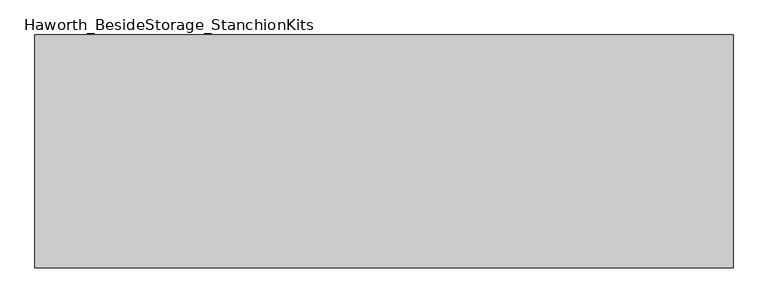
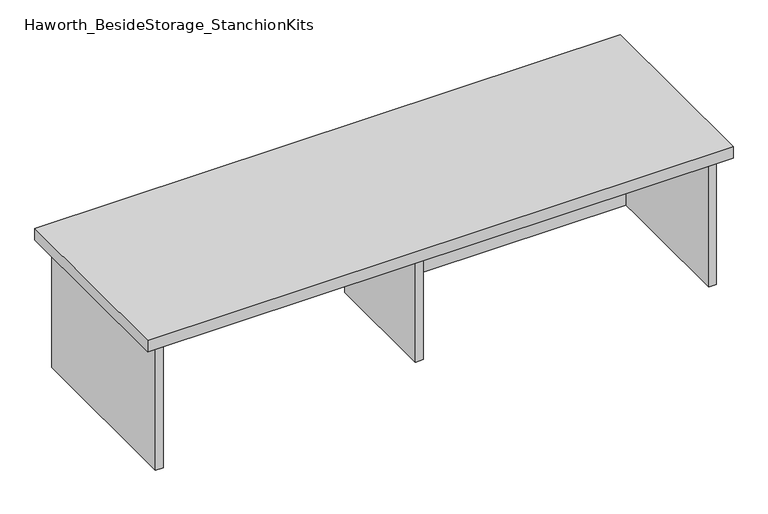
"""IFC4 building model written with IfcOpenShell, lengths in millimetres: furniture geometry, Haworth_BesideStorage_StanchionKits."""

from ifc_helpers import new_model, si_unit, frame, origin, place, context, project, spatial, polyline, outline, extrude, source, transform, mapped, element, save


def haworth_besidestorage_stanchionkits_c9ad7bb0(model_context):
    return source(origin(), model_context, "Body", "SweptSolid", [
        extrude(outline(polyline([(771.525, 0.0), (771.525, -406.4), (-447.675, -406.4), (-447.675, 0.0), (771.525, 0.0)])), frame((0.0, 0.0, 711.2), z_axis=(0.0, 0.0, 1.0), x_axis=(1.0, 0.0, 0.0)), (0.0, 0.0, 1.0), 25.4),
        extrude(outline(polyline([(169.8625, -76.2), (730.25, -76.2), (730.25, -92.075), (169.8625, -92.075), (169.8625, -76.2)])), frame((0.0, 0.0, 431.8), z_axis=(0.0, 0.0, 1.0), x_axis=(1.0, 0.0, 0.0)), (0.0, 0.0, 1.0), 279.4),
        extrude(outline(polyline([(169.8625, -330.2), (153.9875, -330.2), (153.9875, -76.2), (169.8625, -76.2), (169.8625, -330.2)])), frame((0.0, 0.0, 431.8), z_axis=(0.0, 0.0, 1.0), x_axis=(1.0, 0.0, 0.0)), (0.0, 0.0, 1.0), 279.4),
        extrude(outline(polyline([(746.125, -390.525), (730.25, -390.525), (730.25, -15.875), (746.125, -15.875), (746.125, -390.525)])), frame((0.0, 0.0, 431.8), z_axis=(0.0, 0.0, 1.0), x_axis=(1.0, 0.0, 0.0)), (0.0, 0.0, 1.0), 279.4),
        extrude(outline(polyline([(-406.4, -390.525), (-422.275, -390.525), (-422.275, -15.875), (-406.4, -15.875), (-406.4, -390.525)])), frame((0.0, 0.0, 431.8), z_axis=(0.0, 0.0, 1.0), x_axis=(1.0, 0.0, 0.0)), (0.0, 0.0, 1.0), 279.4),
    ])


if __name__ == "__main__":
    model = new_model("IFC4")
    model_context = context("Model", 3, world=origin())
    ifc_project = project(units=[si_unit("LENGTHUNIT", "METRE", prefix="MILLI")], contexts=[model_context])
    site = spatial("IfcSite", under=ifc_project)
    building = spatial("IfcBuilding", under=site)
    placement = place(None, origin())
    haworth_besidestorage_stanchionkits_shape = haworth_besidestorage_stanchionkits_c9ad7bb0(model_context)
    element("IfcFurniture", 1, ObjectType="Haworth_BesideStorage_StanchionKits", at=placement, inside=building, context=model_context, shape_type="MappedRepresentation", body=[
        mapped(haworth_besidestorage_stanchionkits_shape, transform((0.0, 0.0, 0.0), x_axis=(1.0, 0.0, 0.0), y_axis=(0.0, 1.0, 0.0), z_axis=(0.0, 0.0, 1.0))),
    ])
    save(model, "model.ifc")
